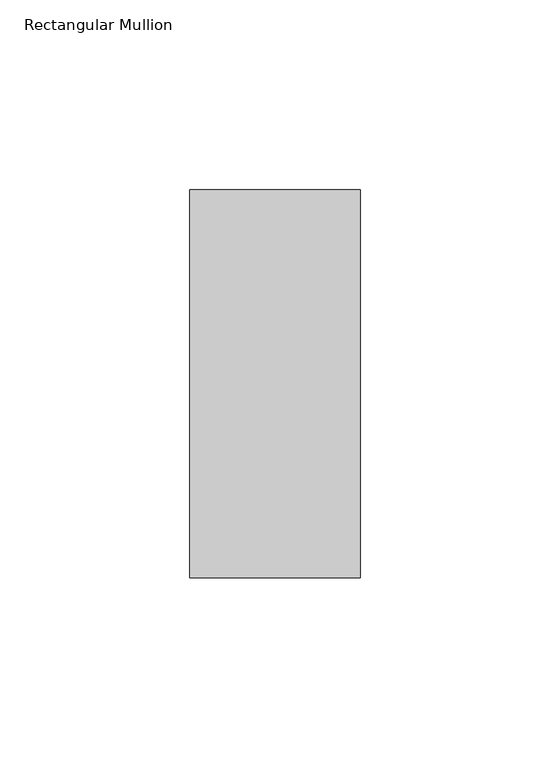
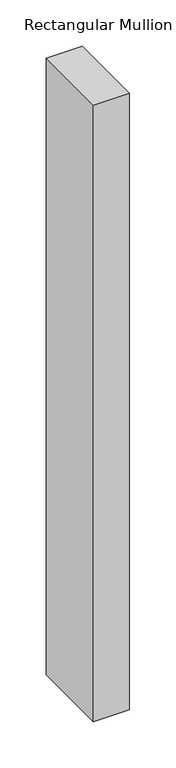
"""IFC4 building model written with IfcOpenShell, lengths in millimetres: member geometry, Rectangular Mullion."""

from ifc_helpers import new_model, si_unit, frame, origin, place, context, project, spatial, polyline, outline, extrude, source, transform, mapped, element, save


def rectangular_mullion_007ec7c6(model_context):
    return source(origin(), model_context, "Body", "SweptSolid", [
        extrude(outline(polyline([(22.5, 66.73125), (22.5, -35.73125), (-22.5, -35.73125), (-22.5, 66.73125), (22.5, 66.73125)])), frame((0.0, 0.0, -815.1967012), z_axis=(0.0, 0.0, 1.0), x_axis=(1.0, 0.0, 0.0)), (0.0, 0.0, 1.0), 815.1967012),
    ])


if __name__ == "__main__":
    model = new_model("IFC4")
    model_context = context("Model", 3, world=origin())
    ifc_project = project(units=[si_unit("LENGTHUNIT", "METRE", prefix="MILLI")], contexts=[model_context])
    site = spatial("IfcSite", under=ifc_project)
    building = spatial("IfcBuilding", under=site)
    placement = place(None, origin())
    rectangular_mullion_shape = rectangular_mullion_007ec7c6(model_context)
    element("IfcMember", 1, ObjectType="Rectangular Mullion", at=placement, inside=building, context=model_context, shape_type="MappedRepresentation", body=[
        mapped(rectangular_mullion_shape, transform((0.0, 0.0, 0.0), x_axis=(1.0, 0.0, 0.0), y_axis=(0.0, 1.0, 0.0), z_axis=(0.0, 0.0, 1.0))),
    ])
    save(model, "model.ifc")
